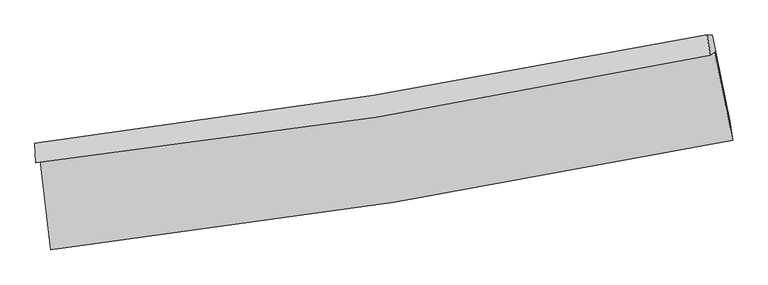
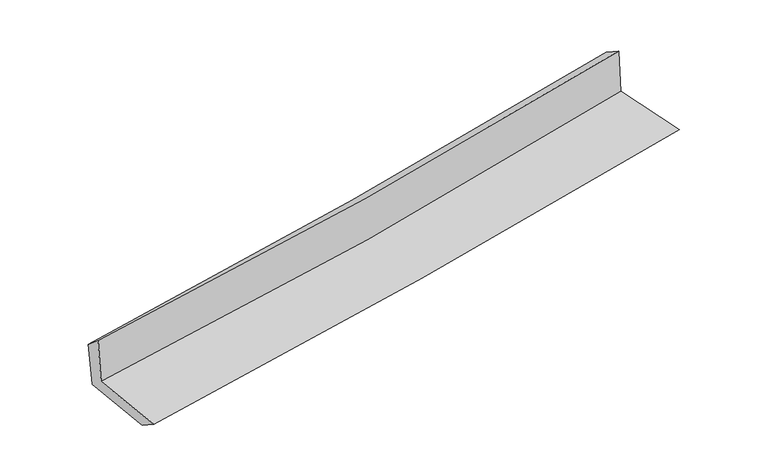
"""IFC4 building model written with IfcOpenShell, lengths in millimetres: proxy geometry."""

from ifc_helpers import new_model, si_unit, frame, origin, place, context, project, spatial, source, transform, mapped, element, save
from ifc_brep_helpers import plane_surface, spline_curve, spline_surface, advanced_brep


def generic_models_cc57923c(model_context):
    return source(origin(), model_context, "Body", "AdvancedBrep", [
        advanced_brep(
        [(-2526.7853859, -1879.9921457, 1662.8205795), (-2450.8304064, -2542.0812391, 1643.2296668), (2597.1504398, -1732.1508078, 2100.4100708), (2464.0750341, -1078.275223, 2104.6175162), (-2561.7378794, -1896.4728408, 2064.1390541), (2431.4287314, -1103.3368152, 2500.7460326), (-2566.6870651, -1753.2154601, 1943.1206827), (2409.7808686, -951.5456008, 2404.669464), (-2531.4181985, -1755.5506177, 1561.3360552), (2447.0976303, -953.6744746, 2017.4293376), (-2458.8067852, -2384.9334994, 1538.2579025), (2576.8692301, -1584.684675, 1999.1989088)],
        [
            (0, 1),
            (1, 2, spline_curve(3, [(-2450.8304064, -2542.0812391, 1643.2296668), (-1600.67123333, -2442.539922497, 1729.588245016), (-752.771163378, -2324.834284724, 1811.03699645), (929.843044972, -2054.487018039, 1963.330329892), (1764.603256873, -1902.215845569, 2034.275046527), (2597.1504398, -1732.1508078, 2100.4100708)], [4, 2, 4], [0.0, 8.417926706362483, 16.749570600764233])),
            (2, 3),
            (3, 0, spline_curve(3, [(2464.0750341, -1078.275223, 2104.6175162), (1643.817103957, -1255.407809322, 2030.77193848), (819.944292159, -1410.553534426, 1957.220867156), (-843.600588685, -1678.250260287, 1809.949090154), (-1683.347916642, -1790.3435095, 1736.234515897), (-2526.7853859, -1879.9921457, 1662.8205795)], [4, 2, 4], [0.0, 8.33164389440175, 16.749570600764233])),
            (4, 0),
            (3, 5),
            (5, 4, spline_curve(3, [(2431.4287314, -1103.3368152, 2500.7460326), (1610.018947137, -1276.168083998, 2429.712248931), (785.377033658, -1428.444345166, 2358.002368925), (-878.944546029, -1693.250961598, 2212.480785234), (-1718.691502656, -1805.353375782, 2138.655005653), (-2561.7378794, -1896.4728408, 2064.1390541)], [4, 2, 4], [0.0, 8.284424058883378, 16.65464191936645])),
            (6, 4),
            (5, 7),
            (7, 6, spline_curve(3, [(2409.7808686, -951.5456008, 2404.669464), (1589.846545322, -1114.921997092, 2328.286231351), (767.323419467, -1263.150314079, 2251.830724116), (-891.445328085, -1530.68897338, 2097.982635145), (-1727.74484666, -1649.683942815, 2020.588548684), (-2566.6870651, -1753.2154601, 1943.1206827)], [4, 2, 4], [0.0, 8.273322886155128, 16.632324609755074])),
            (8, 6),
            (7, 9),
            (9, 8, spline_curve(3, [(2447.0976303, -953.6744746, 2017.4293376), (1625.729780448, -1117.031987689, 1953.380961457), (802.317294552, -1265.267828064, 1883.574605745), (-857.145413801, -1532.874698573, 1731.663389012), (-1693.238204242, -1651.930905938, 1649.438650291), (-2531.4181985, -1755.5506177, 1561.3360552)], [4, 2, 4], [0.0, 8.263506265128088, 16.61258970641099])),
            (10, 8),
            (9, 11),
            (11, 10, spline_curve(3, [(2576.8692301, -1584.684675, 1999.1989088), (1744.387296736, -1741.669103064, 1934.493302387), (910.674742736, -1886.567769702, 1863.956813223), (-767.858308495, -2153.568995049, 1710.431206052), (-1612.704426254, -2275.419936722, 1627.320693109), (-2458.8067852, -2384.9334994, 1538.2579025)], [4, 2, 4], [0.0, 8.310627438606423, 16.707320041980964])),
            (1, 10),
            (11, 2),
        ],
        [
            spline_surface(3, 3, [[(-2526.7853859, -1879.9921457, 1662.8205795), (-1683.347916654, -1790.343509391, 1736.23451582), (-843.60058856, -1678.250260246, 1809.949090158), (819.944292035, -1410.553534467, 1957.220867152), (1643.817103979, -1255.407809408, 2030.77193838), (2464.0750341, -1078.275223, 2104.6175162)], [(-2501.467059429, -2100.688510155, 1656.290275243), (-1655.789022261, -2007.742313794, 1734.019092213), (-813.324113506, -1893.778268399, 1810.311725565), (856.577209658, -1625.198028999, 1959.257354723), (1684.079154971, -1471.010488128, 2031.939641088), (2508.433502659, -1296.233751263, 2103.215034393)], [(-2476.148732871, -2321.384874645, 1649.759971057), (-1628.230127781, -2225.141118234, 1731.803668678), (-783.047638408, -2109.306276548, 1810.674361021), (893.210127325, -1839.842523529, 1961.293842343), (1724.341205985, -1686.613166858, 2033.107343815), (2552.791971241, -1514.192279537, 2101.812552607)], [(-2450.8304064, -2542.0812391, 1643.2296668), (-1600.671233387, -2442.539922637, 1729.588245071), (-752.771163354, -2324.834284701, 1811.036996428), (929.843044948, -2054.487018062, 1963.330329914), (1764.603256977, -1902.215845579, 2034.275046523), (2597.1504398, -1732.1508078, 2100.4100708)]], [4, 4], [4, 2, 4], [0.0, 2.1424737170910793], [0.0, 8.417926706362483, 16.749570600764233]),
            spline_surface(3, 3, [[(-2561.7378794, -1896.4728408, 2064.1390541), (-1718.691502728, -1805.353375773, 2138.655005666), (-878.944545958, -1693.250961633, 2212.480785257), (785.377033588, -1428.444345131, 2358.002368902), (1610.018947054, -1276.168084046, 2429.712248799), (2431.4287314, -1103.3368152, 2500.7460326)], [(-2550.087048218, -1890.979275774, 1930.366229255), (-1706.910307354, -1800.350086986, 2004.514842406), (-867.163226822, -1688.250727864, 2078.303553555), (796.899453074, -1422.480741603, 2224.408534983), (1621.284999344, -1269.24799248, 2296.732145341), (2442.310832281, -1094.982951113, 2368.703193815)], [(-2538.436217082, -1885.485710726, 1796.593404345), (-1695.129112028, -1795.346798177, 1870.37467908), (-855.381907696, -1683.250494015, 1944.12632186), (808.421872549, -1416.517137995, 2090.814701071), (1632.551051689, -1262.327900974, 2163.752041838), (2453.192933219, -1086.629087087, 2236.660354985)], [(-2526.7853859, -1879.9921457, 1662.8205795), (-1683.347916654, -1790.343509391, 1736.23451582), (-843.60058856, -1678.250260246, 1809.949090158), (819.944292035, -1410.553534467, 1957.220867152), (1643.817103979, -1255.407809408, 2030.77193838), (2464.0750341, -1078.275223, 2104.6175162)]], [4, 4], [4, 2, 4], [0.0, 1.3238802942426917], [0.0, 8.370217860483073, 16.65464191936645]),
            spline_surface(3, 3, [[(-2566.6870651, -1753.2154601, 1943.1206827), (-1727.744846575, -1649.683942778, 2020.588548656), (-891.445328035, -1530.688973309, 2097.982635109), (767.323419417, -1263.150314148, 2251.830724151), (1589.846545434, -1114.921997174, 2328.286231487), (2409.7808686, -951.5456008, 2404.669464)], [(-2565.037336525, -1800.967920345, 1983.460139815), (-1724.727065284, -1701.573753788, 2059.944034308), (-887.278400665, -1584.876302731, 2136.148685189), (773.341290819, -1318.248324456, 2287.221272431), (1596.570679327, -1168.670692818, 2362.094903924), (2416.996822886, -1002.142672286, 2436.694986866)], [(-2563.387607975, -1848.720380555, 2023.799596985), (-1721.709284019, -1753.463564763, 2099.299520014), (-883.111473328, -1639.063632211, 2174.314735178), (779.359162187, -1373.346334823, 2322.611820622), (1603.294813161, -1222.419388402, 2395.903576362), (2424.212777114, -1052.739743714, 2468.720509734)], [(-2561.7378794, -1896.4728408, 2064.1390541), (-1718.691502728, -1805.353375773, 2138.655005666), (-878.944545958, -1693.250961633, 2212.480785257), (785.377033588, -1428.444345131, 2358.002368902), (1610.018947054, -1276.168084046, 2429.712248799), (2431.4287314, -1103.3368152, 2500.7460326)]], [4, 4], [4, 2, 4], [0.0, 0.6502637888979209], [0.0, 8.359001723599945, 16.632324609755074]),
            spline_surface(3, 3, [[(-2531.4181985, -1755.5506177, 1561.3360552), (-1693.238204156, -1651.930905965, 1649.438650391), (-857.145413789, -1532.874698646, 1731.663388912), (802.31729454, -1265.267827992, 1883.574605844), (1625.729780445, -1117.031987594, 1953.380961413), (2447.0976303, -953.6744746, 2017.4293376)], [(-2543.174487365, -1754.772231819, 1688.597597725), (-1704.740418294, -1651.181918222, 1773.155283171), (-868.57871854, -1532.146123544, 1853.769804287), (790.652669497, -1264.561990055, 2006.326645255), (1613.768702116, -1116.328657435, 2078.349384764), (2434.658709742, -952.964849981, 2146.509379726)], [(-2554.930776235, -1753.993845981, 1815.859140175), (-1716.242632437, -1650.432930521, 1896.871915875), (-880.012023284, -1531.417548411, 1975.876219734), (778.988044461, -1263.856152085, 2129.078684739), (1601.807623763, -1115.625327333, 2203.317808136), (2422.219789158, -952.255225419, 2275.589421874)], [(-2566.6870651, -1753.2154601, 1943.1206827), (-1727.744846575, -1649.683942778, 2020.588548656), (-891.445328035, -1530.688973309, 2097.982635109), (767.323419417, -1263.150314148, 2251.830724151), (1589.846545434, -1114.921997174, 2328.286231487), (2409.7808686, -951.5456008, 2404.669464)]], [4, 4], [4, 2, 4], [0.0, 1.2103500035863066], [0.0, 8.349083441282902, 16.61258970641099]),
            spline_surface(3, 3, [[(-2458.8067852, -2384.9334994, 1538.2579025), (-1612.704426223, -2275.419936678, 1627.320693143), (-767.858308431, -2153.568995115, 1710.431206095), (910.674742673, -1886.567769636, 1863.95681318), (1744.387296608, -1741.669103052, 1934.493302316), (2576.8692301, -1584.684675, 1999.1989088)], [(-2483.010589643, -2175.139205497, 1545.950620049), (-1639.549018877, -2067.590259771, 1634.693345541), (-797.620676914, -1946.670896285, 1717.508600382), (874.555593265, -1679.46778908, 1870.496077416), (1704.834791189, -1533.456731232, 1940.78918868), (2533.612030135, -1374.347941533, 2005.275718398)], [(-2507.214394057, -1965.344911603, 1553.643337651), (-1666.393611502, -1859.760582872, 1642.065997992), (-827.383045307, -1739.772797477, 1724.585994625), (838.436443948, -1472.367808548, 1877.035341608), (1665.282285864, -1325.244359413, 1947.085075049), (2490.354830265, -1164.011208067, 2011.352528002)], [(-2531.4181985, -1755.5506177, 1561.3360552), (-1693.238204156, -1651.930905965, 1649.438650391), (-857.145413789, -1532.874698646, 1731.663388912), (802.31729454, -1265.267827992, 1883.574605844), (1625.729780445, -1117.031987594, 1953.380961413), (2447.0976303, -953.6744746, 2017.4293376)]], [4, 4], [4, 2, 4], [0.0, 2.0640572350836344], [0.0, 8.396692603374541, 16.707320041980964]),
            spline_surface(3, 3, [[(-2450.8304064, -2542.0812391, 1643.2296668), (-1600.671233387, -2442.539922637, 1729.588245071), (-752.771163354, -2324.834284701, 1811.036996428), (929.843044948, -2054.487018062, 1963.330329914), (1764.603256977, -1902.215845579, 2034.275046523), (2597.1504398, -1732.1508078, 2100.4100708)], [(-2453.489199321, -2489.69865921, 1608.239078712), (-1604.682297654, -2386.83326066, 1695.499061107), (-757.800211681, -2267.745854828, 1777.501732982), (923.453610889, -1998.513935242, 1930.205824334), (1757.86460355, -1848.700264759, 2001.014465122), (2590.390036596, -1682.995430223, 2066.673016801)], [(-2456.147992279, -2437.31607929, 1573.248490588), (-1608.693361956, -2331.126598655, 1661.409877106), (-762.829260105, -2210.657424988, 1743.966469542), (917.064176732, -1942.540852455, 1897.08131876), (1751.125950035, -1795.184683871, 1967.753883717), (2583.629633304, -1633.840052577, 2032.935962799)], [(-2458.8067852, -2384.9334994, 1538.2579025), (-1612.704426223, -2275.419936678, 1627.320693143), (-767.858308431, -2153.568995115, 1710.431206095), (910.674742673, -1886.567769636, 1863.95681318), (1744.387296608, -1741.669103052, 1934.493302316), (2576.8692301, -1584.684675, 1999.1989088)]], [4, 4], [4, 2, 4], [0.0, 0.6484045482609869], [0.0, 8.454358054709433, 16.822059880191798]),
            plane_surface(frame((2487.7336557, -1233.9445994, 2187.8452217), z_axis=(0.9757871195427422, 0.19799211386020346, 0.09294417778240237), x_axis=(-0.0959201575929406, 0.005472123158152991, 0.9953739896317804))),
            plane_surface(frame((-2516.0442868, -2035.3743005, 1735.4839901), z_axis=(-0.9896851502875973, -0.110851664018402, -0.09074806821397124), x_axis=(-0.11392343573777548, 0.9930548972893107, 0.029384039195071685))),
        ],
        [
            (0, [[1, 2, 3, 4]]),
            (1, [[5, -4, 6, 7]]),
            (2, [[8, -7, 9, 10]]),
            (3, [[11, -10, 12, 13]]),
            (4, [[14, -13, 15, 16]]),
            (5, [[17, -16, 18, -2]]),
            (6, [[-12, -9, -6, -3, -18, -15]]),
            (7, [[-1, -5, -8, -11, -14, -17]]),
        ],
    ),
    ])


if __name__ == "__main__":
    model = new_model("IFC4")
    model_context = context("Model", 3, world=origin())
    ifc_project = project(units=[si_unit("LENGTHUNIT", "METRE", prefix="MILLI")], contexts=[model_context])
    site = spatial("IfcSite", under=ifc_project)
    building = spatial("IfcBuilding", under=site)
    placement = place(None, origin())
    generic_models_shape = generic_models_cc57923c(model_context)
    element("IfcBuildingElementProxy", 1, Name="Generic Models", at=placement, inside=building, context=model_context, shape_type="MappedRepresentation", body=[
        mapped(generic_models_shape, transform((0.0, 0.0, 0.0), x_axis=(1.0, 0.0, 0.0), y_axis=(0.0, 1.0, 0.0), z_axis=(0.0, 0.0, 1.0))),
    ])
    save(model, "model.ifc")
